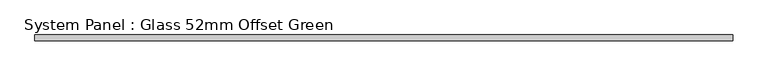
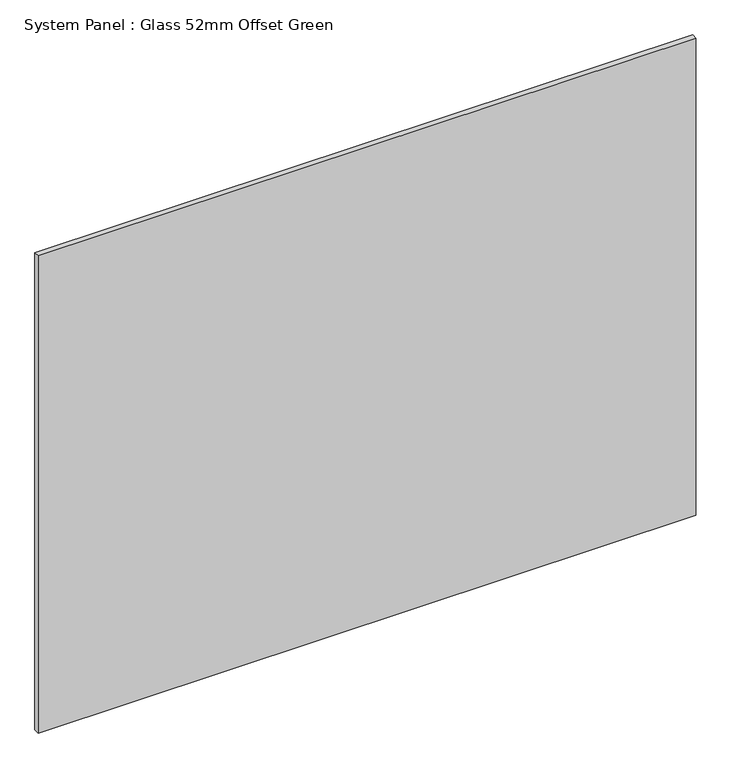
"""IFC4 building model written with IfcOpenShell, lengths in millimetres: plate geometry, System Panel : Glass 52mm Offset Green."""

from ifc_helpers import new_model, si_unit, origin, origin_with_axes, place, context, project, spatial, polyline, outline, extrude, source, transform, mapped, element, save


def system_panel_glass_52mm_offset_green_7aee9a91(model_context):
    return source(origin(), model_context, "Body", "SweptSolid", [
        extrude(outline(polyline([(600.6665865, -57.0), (-600.6665865, -57.0), (-600.6665865, -47.0), (600.6665865, -47.0), (600.6665865, -57.0)])), origin_with_axes(), (0.0, 0.0, 1.0), 921.5045338),
    ])


if __name__ == "__main__":
    model = new_model("IFC4")
    model_context = context("Model", 3, world=origin())
    ifc_project = project(units=[si_unit("LENGTHUNIT", "METRE", prefix="MILLI")], contexts=[model_context])
    site = spatial("IfcSite", under=ifc_project)
    building = spatial("IfcBuilding", under=site)
    placement = place(None, origin())
    system_panel_glass_52mm_offset_green_shape = system_panel_glass_52mm_offset_green_7aee9a91(model_context)
    element("IfcPlate", 1, ObjectType="System Panel : Glass 52mm Offset Green", at=placement, inside=building, context=model_context, shape_type="MappedRepresentation", body=[
        mapped(system_panel_glass_52mm_offset_green_shape, transform((0.0, 0.0, 0.0), x_axis=(1.0, 0.0, 0.0), y_axis=(0.0, 1.0, 0.0), z_axis=(0.0, 0.0, 1.0))),
    ])
    save(model, "model.ifc")
